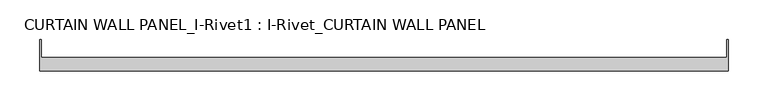
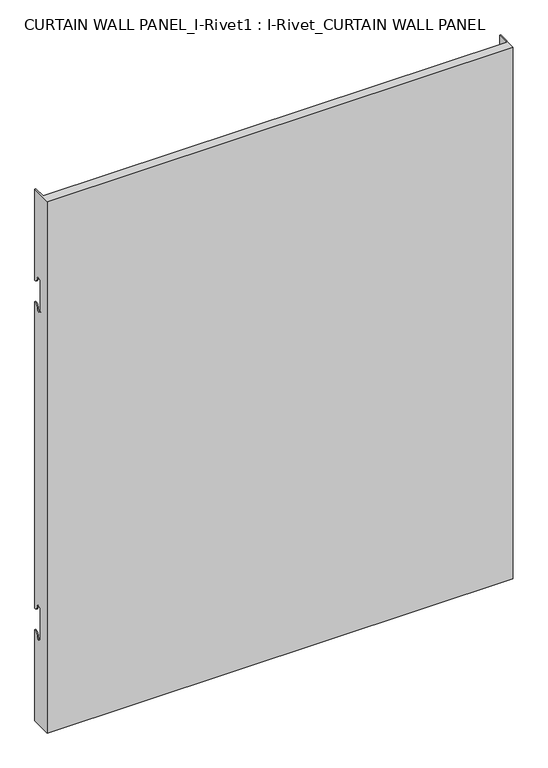
"""IFC4 building model written with IfcOpenShell, lengths in millimetres: plate geometry, CURTAIN WALL PANEL_I-Rivet1 : I-Rivet_CURTAIN WALL PANEL."""

from ifc_helpers import new_model, si_unit, frame, origin, place, context, project, spatial, polyline, circle_curve, source, transform, mapped, element, save
from ifc_brep_helpers import plane_surface, cylinder_surface, revolved_surface, advanced_brep


def curtain_wall_panel_i_rivet1_i_rivet_curtain_wall_panel_b03d05d9(model_context):
    return source(origin(), model_context, "Body", "AdvancedBrep", [
        advanced_brep(
        [(-433.5, -85.0, 1045.0), (433.5, -85.0, 1045.0), (433.5, -45.3384103, 1045.0), (431.5, -45.3384103, 1045.0), (431.5, -68.0, 1045.0), (-431.5, -68.0, 1045.0), (-431.5, -45.3384103, 1045.0), (-433.5, -45.3384103, 1045.0), (-433.5, -85.0, 0.0), (-433.5, -45.3384103, 0.0), (-431.5, -45.3384103, 0.0), (-431.5, -68.0, 0.0), (431.5, -68.0, 0.0), (431.5, -45.3384103, 0.0), (433.5, -45.3384103, 0.0), (433.5, -85.0, 0.0), (-433.5, -45.3384103, 866.0), (-433.5, -52.3384103, 873.0), (-433.5, -63.3384103, 873.0), (-433.5, -63.3384103, 817.0), (-433.5, -52.3384103, 817.0), (-433.5, -45.3384103, 824.0), (-433.5, -45.3384103, 221.0), (-433.5, -52.3384103, 228.0), (-433.5, -63.3384103, 228.0), (-433.5, -63.3384103, 172.0), (-433.5, -52.3384103, 172.0), (-433.5, -45.3384103, 179.0), (-431.5, -45.3384103, 179.0), (-431.5, -45.3384103, 824.0), (-431.5, -45.3384103, 221.0), (-431.5, -45.3384103, 866.0), (433.5, -45.3384103, 866.0), (431.5, -45.3384103, 866.0), (431.5, -45.3384103, 179.0), (433.5, -45.3384103, 179.0), (431.5, -45.3384103, 221.0), (431.5, -45.3384103, 824.0), (433.5, -45.3384103, 824.0), (433.5, -45.3384103, 221.0), (433.5, -52.3384103, 172.0), (433.5, -63.3384103, 172.0), (433.5, -63.3384103, 228.0), (433.5, -52.3384103, 228.0), (433.5, -52.3384103, 817.0), (433.5, -63.3384103, 817.0), (433.5, -63.3384103, 873.0), (433.5, -52.3384103, 873.0), (-431.5, -52.3384103, 172.0), (-431.5, -63.3384103, 172.0), (-431.5, -63.3384103, 228.0), (-431.5, -52.3384103, 228.0), (-431.5, -52.3384103, 817.0), (-431.5, -63.3384103, 817.0), (-431.5, -63.3384103, 873.0), (-431.5, -52.3384103, 873.0), (431.5, -52.3384103, 873.0), (431.5, -63.3384103, 873.0), (431.5, -63.3384103, 817.0), (431.5, -52.3384103, 817.0), (431.5, -52.3384103, 228.0), (431.5, -63.3384103, 228.0), (431.5, -63.3384103, 172.0), (431.5, -52.3384103, 172.0)],
        [
            (0, 1),
            (1, 2),
            (2, 3),
            (3, 4),
            (4, 5),
            (5, 6),
            (6, 7),
            (7, 0),
            (8, 9),
            (9, 10),
            (10, 11),
            (11, 12),
            (12, 13),
            (13, 14),
            (14, 15),
            (15, 8),
            (7, 16),
            (16, 17, circle_curve(frame((-433.5, -45.3384103, 873.0), z_axis=(-1.0, 0.0, 0.0), x_axis=(0.0, -1.0, 0.0)), 7.0)),
            (17, 18, circle_curve(frame((-433.5, -57.8384103, 873.0), z_axis=(1.0, 0.0, 0.0), x_axis=(0.0, -1.0, 0.0)), 5.5)),
            (18, 19),
            (19, 20, circle_curve(frame((-433.5, -57.8384103, 817.0), z_axis=(1.0, 0.0, 0.0), x_axis=(0.0, -1.0, 0.0)), 5.5)),
            (20, 21, circle_curve(frame((-433.5, -45.3384103, 817.0), z_axis=(-1.0, 0.0, 0.0), x_axis=(0.0, -1.0, 0.0)), 7.0)),
            (21, 22),
            (22, 23, circle_curve(frame((-433.5, -45.3384103, 228.0), z_axis=(-1.0, 0.0, 0.0), x_axis=(0.0, -1.0, 0.0)), 7.0)),
            (23, 24, circle_curve(frame((-433.5, -57.8384103, 228.0), z_axis=(1.0, 0.0, 0.0), x_axis=(0.0, -1.0, 0.0)), 5.5)),
            (24, 25),
            (25, 26, circle_curve(frame((-433.5, -57.8384103, 172.0), z_axis=(1.0, 0.0, 0.0), x_axis=(0.0, -1.0, 0.0)), 5.5)),
            (26, 27, circle_curve(frame((-433.5, -45.3384103, 172.0), z_axis=(-1.0, 0.0, 0.0), x_axis=(0.0, -1.0, 0.0)), 7.0)),
            (27, 9),
            (8, 0),
            (27, 28),
            (28, 10),
            (21, 29),
            (29, 30),
            (30, 22),
            (6, 31),
            (31, 16),
            (2, 32),
            (32, 33),
            (33, 3),
            (13, 34),
            (34, 35),
            (35, 14),
            (36, 37),
            (37, 38),
            (38, 39),
            (39, 36),
            (1, 15),
            (35, 40, circle_curve(frame((433.5, -45.3384103, 172.0), z_axis=(1.0, 0.0, 0.0), x_axis=(0.0, -1.0, 0.0)), 7.0)),
            (40, 41, circle_curve(frame((433.5, -57.8384103, 172.0), z_axis=(-1.0, 0.0, 0.0), x_axis=(0.0, -1.0, 0.0)), 5.5)),
            (41, 42),
            (42, 43, circle_curve(frame((433.5, -57.8384103, 228.0), z_axis=(-1.0, 0.0, 0.0), x_axis=(0.0, -1.0, 0.0)), 5.5)),
            (43, 39, circle_curve(frame((433.5, -45.3384103, 228.0), z_axis=(1.0, 0.0, 0.0), x_axis=(0.0, -1.0, 0.0)), 7.0)),
            (38, 44, circle_curve(frame((433.5, -45.3384103, 817.0), z_axis=(1.0, 0.0, 0.0), x_axis=(0.0, -1.0, 0.0)), 7.0)),
            (44, 45, circle_curve(frame((433.5, -57.8384103, 817.0), z_axis=(-1.0, 0.0, 0.0), x_axis=(0.0, -1.0, 0.0)), 5.5)),
            (45, 46),
            (46, 47, circle_curve(frame((433.5, -57.8384103, 873.0), z_axis=(-1.0, 0.0, 0.0), x_axis=(0.0, -1.0, 0.0)), 5.5)),
            (47, 32, circle_curve(frame((433.5, -45.3384103, 873.0), z_axis=(1.0, 0.0, 0.0), x_axis=(0.0, -1.0, 0.0)), 7.0)),
            (5, 11),
            (28, 48, circle_curve(frame((-431.5, -45.3384103, 172.0), z_axis=(1.0, 0.0, 0.0), x_axis=(0.0, -1.0, 0.0)), 7.0)),
            (48, 49, circle_curve(frame((-431.5, -57.8384103, 172.0), z_axis=(-1.0, 0.0, 0.0), x_axis=(0.0, -1.0, 0.0)), 5.5)),
            (49, 50),
            (50, 51, circle_curve(frame((-431.5, -57.8384103, 228.0), z_axis=(-1.0, 0.0, 0.0), x_axis=(0.0, -1.0, 0.0)), 5.5)),
            (51, 30, circle_curve(frame((-431.5, -45.3384103, 228.0), z_axis=(1.0, 0.0, 0.0), x_axis=(0.0, -1.0, 0.0)), 7.0)),
            (29, 52, circle_curve(frame((-431.5, -45.3384103, 817.0), z_axis=(1.0, 0.0, 0.0), x_axis=(0.0, -1.0, 0.0)), 7.0)),
            (52, 53, circle_curve(frame((-431.5, -57.8384103, 817.0), z_axis=(-1.0, 0.0, 0.0), x_axis=(0.0, -1.0, 0.0)), 5.5)),
            (53, 54),
            (54, 55, circle_curve(frame((-431.5, -57.8384103, 873.0), z_axis=(-1.0, 0.0, 0.0), x_axis=(0.0, -1.0, 0.0)), 5.5)),
            (55, 31, circle_curve(frame((-431.5, -45.3384103, 873.0), z_axis=(1.0, 0.0, 0.0), x_axis=(0.0, -1.0, 0.0)), 7.0)),
            (33, 56, circle_curve(frame((431.5, -45.3384103, 873.0), z_axis=(-1.0, 0.0, 0.0), x_axis=(0.0, -1.0, 0.0)), 7.0)),
            (56, 57, circle_curve(frame((431.5, -57.8384103, 873.0), z_axis=(1.0, 0.0, 0.0), x_axis=(0.0, -1.0, 0.0)), 5.5)),
            (57, 58),
            (58, 59, circle_curve(frame((431.5, -57.8384103, 817.0), z_axis=(1.0, 0.0, 0.0), x_axis=(0.0, -1.0, 0.0)), 5.5)),
            (59, 37, circle_curve(frame((431.5, -45.3384103, 817.0), z_axis=(-1.0, 0.0, 0.0), x_axis=(0.0, -1.0, 0.0)), 7.0)),
            (36, 60, circle_curve(frame((431.5, -45.3384103, 228.0), z_axis=(-1.0, 0.0, 0.0), x_axis=(0.0, -1.0, 0.0)), 7.0)),
            (60, 61, circle_curve(frame((431.5, -57.8384103, 228.0), z_axis=(1.0, 0.0, 0.0), x_axis=(0.0, -1.0, 0.0)), 5.5)),
            (61, 62),
            (62, 63, circle_curve(frame((431.5, -57.8384103, 172.0), z_axis=(1.0, 0.0, 0.0), x_axis=(0.0, -1.0, 0.0)), 5.5)),
            (63, 34, circle_curve(frame((431.5, -45.3384103, 172.0), z_axis=(-1.0, 0.0, 0.0), x_axis=(0.0, -1.0, 0.0)), 7.0)),
            (12, 4),
            (41, 62),
            (61, 42),
            (49, 25),
            (24, 50),
            (40, 63),
            (48, 26),
            (51, 23),
            (43, 60),
            (18, 54),
            (53, 19),
            (57, 46),
            (45, 58),
            (17, 55),
            (56, 47),
            (59, 44),
            (20, 52),
        ],
        [
            plane_surface(frame((-433.5, -45.3384103, 1045.0), z_axis=(0.0, 0.0, 1.0), x_axis=(0.0, 1.0, 0.0))),
            plane_surface(frame((-433.5, -45.3384103, 0.0), z_axis=(0.0, 0.0, -1.0), x_axis=(0.0, -1.0, 0.0))),
            plane_surface(frame((-433.5, -85.0, 1045.0), z_axis=(-1.0, 0.0, 0.0), x_axis=(0.0, 0.0, -1.0))),
            plane_surface(frame((-433.5, -45.3384103, 1045.0), z_axis=(0.0, 1.0, 0.0), x_axis=(0.0, 0.0, -1.0))),
            plane_surface(frame((431.5, -45.3384103, 1045.0), z_axis=(0.0, 1.0, 0.0), x_axis=(0.0, 0.0, -1.0))),
            plane_surface(frame((433.5, -45.3384103, 1045.0), z_axis=(1.0, 0.0, 0.0), x_axis=(0.0, 0.0, -1.0))),
            plane_surface(frame((433.5, -85.0, 1045.0), z_axis=(0.0, -1.0, 0.0), x_axis=(0.0, 0.0, -1.0))),
            plane_surface(frame((-431.5, -45.3384103, 1045.0), z_axis=(1.0, 0.0, 0.0), x_axis=(0.0, 0.0, -1.0))),
            plane_surface(frame((431.5, -68.0, 1045.0), z_axis=(-1.0, 0.0, 0.0), x_axis=(0.0, 0.0, -1.0))),
            plane_surface(frame((-432.5, -68.0, 1045.0), z_axis=(0.0, 1.0, 0.0), x_axis=(0.0, 0.0, -1.0))),
            plane_surface(frame((-433.5, -63.3384103, 228.0), z_axis=(0.0, 1.0, 0.0), x_axis=(1.0, 0.0, 0.0))),
            revolved_surface(polyline([(431.5, -63.3384103, 172.0), (433.5, -63.3384103, 172.0)]), (-433.5, -57.8384103, 172.0), (-1.0, 0.0, 0.0)),
            revolved_surface(polyline([(-433.5, -63.3384103, 172.0), (-431.5, -63.3384103, 172.0)]), (-433.5, -57.8384103, 172.0), (-1.0, 0.0, 0.0)),
            cylinder_surface(frame((-433.5, -45.3384103, 172.0), z_axis=(1.0, 0.0, 0.0), x_axis=(0.0, -1.0, 0.0)), 7.0),
            cylinder_surface(frame((-433.5, -45.3384103, 228.0), z_axis=(1.0, 0.0, 0.0), x_axis=(0.0, -1.0, 0.0)), 7.0),
            revolved_surface(polyline([(-433.5, -63.3384103, 228.0), (-431.5, -63.3384103, 228.0)]), (-433.5, -57.8384103, 228.0), (-1.0, 0.0, 0.0)),
            revolved_surface(polyline([(431.5, -63.3384103, 228.0), (433.5, -63.3384103, 228.0)]), (-433.5, -57.8384103, 228.0), (-1.0, 0.0, 0.0)),
            plane_surface(frame((433.5, -63.3384103, 817.0), z_axis=(0.0, 1.0, 0.0), x_axis=(-1.0, 0.0, 0.0))),
            revolved_surface(polyline([(-431.5, -63.3384103, 873.0), (-433.5, -63.3384103, 873.0)]), (433.5, -57.8384103, 873.0), (1.0, 0.0, 0.0)),
            revolved_surface(polyline([(433.5, -63.3384103, 873.0), (431.5, -63.3384103, 873.0)]), (433.5, -57.8384103, 873.0), (1.0, 0.0, 0.0)),
            cylinder_surface(frame((433.5, -45.3384103, 873.0), z_axis=(-1.0, 0.0, 0.0), x_axis=(0.0, -1.0, 0.0)), 7.0),
            cylinder_surface(frame((433.5, -45.3384103, 817.0), z_axis=(-1.0, 0.0, 0.0), x_axis=(0.0, -1.0, 0.0)), 7.0),
            revolved_surface(polyline([(433.5, -63.3384103, 817.0), (431.5, -63.3384103, 817.0)]), (433.5, -57.8384103, 817.0), (1.0, 0.0, 0.0)),
            revolved_surface(polyline([(-431.5, -63.3384103, 817.0), (-433.5, -63.3384103, 817.0)]), (433.5, -57.8384103, 817.0), (1.0, 0.0, 0.0)),
        ],
        [
            (0, [[1, 2, 3, 4, 5, 6, 7, 8]]),
            (1, [[9, 10, 11, 12, 13, 14, 15, 16]]),
            (2, [[17, 18, 19, 20, 21, 22, 23, 24, 25, 26, 27, 28, 29, -9, 30, -8]]),
            (3, [[-29, 31, 32, -10]]),
            (3, [[-23, 33, 34, 35]]),
            (3, [[36, 37, -17, -7]]),
            (4, [[38, 39, 40, -3]]),
            (4, [[41, 42, 43, -14]]),
            (4, [[44, 45, 46, 47]]),
            (5, [[48, -15, -43, 49, 50, 51, 52, 53, -46, 54, 55, 56, 57, 58, -38, -2]]),
            (6, [[-30, -16, -48, -1]]),
            (7, [[59, -11, -32, 60, 61, 62, 63, 64, -34, 65, 66, 67, 68, 69, -36, -6]]),
            (8, [[-40, 70, 71, 72, 73, 74, -44, 75, 76, 77, 78, 79, -41, -13, 80, -4]]),
            (9, [[-80, -12, -59, -5]]),
            (10, [[-51, 81, -77, 82]]),
            (10, [[-62, 83, -26, 84]]),
            (11, [[-50, 85, -78, -81]]),
            (12, [[-61, 86, -27, -83]]),
            (13, [[-49, -42, -79, -85]]),
            (13, [[-60, -31, -28, -86]]),
            (14, [[-24, -35, -64, 87]]),
            (14, [[-75, -47, -53, 88]]),
            (15, [[-25, -87, -63, -84]]),
            (16, [[-76, -88, -52, -82]]),
            (17, [[-20, 89, -67, 90]]),
            (17, [[-72, 91, -56, 92]]),
            (18, [[-19, 93, -68, -89]]),
            (19, [[-71, 94, -57, -91]]),
            (20, [[-18, -37, -69, -93]]),
            (20, [[-70, -39, -58, -94]]),
            (21, [[-54, -45, -74, 95]]),
            (21, [[-65, -33, -22, 96]]),
            (22, [[-55, -95, -73, -92]]),
            (23, [[-66, -96, -21, -90]]),
        ],
    ),
    ])


if __name__ == "__main__":
    model = new_model("IFC4")
    model_context = context("Model", 3, world=origin())
    ifc_project = project(units=[si_unit("LENGTHUNIT", "METRE", prefix="MILLI")], contexts=[model_context])
    site = spatial("IfcSite", under=ifc_project)
    building = spatial("IfcBuilding", under=site)
    placement = place(None, origin())
    curtain_wall_panel_i_rivet1_i_rivet_curtain_wall_panel_shape = curtain_wall_panel_i_rivet1_i_rivet_curtain_wall_panel_b03d05d9(model_context)
    element("IfcPlate", 1, ObjectType="CURTAIN WALL PANEL_I-Rivet1 : I-Rivet_CURTAIN WALL PANEL", at=placement, inside=building, context=model_context, shape_type="MappedRepresentation", body=[
        mapped(curtain_wall_panel_i_rivet1_i_rivet_curtain_wall_panel_shape, transform((0.0, 0.0, 0.0), x_axis=(1.0, 0.0, 0.0), y_axis=(0.0, 1.0, 0.0), z_axis=(0.0, 0.0, 1.0))),
    ])
    save(model, "model.ifc")
